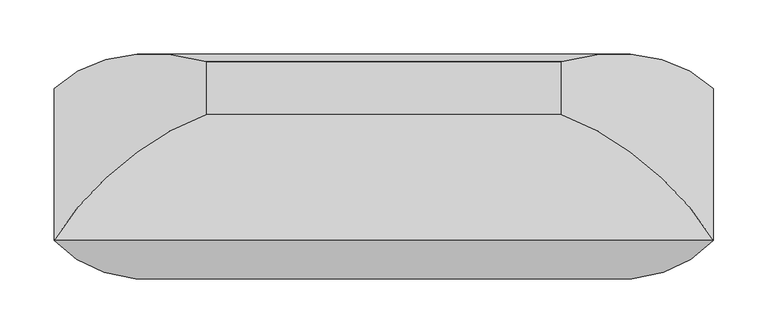
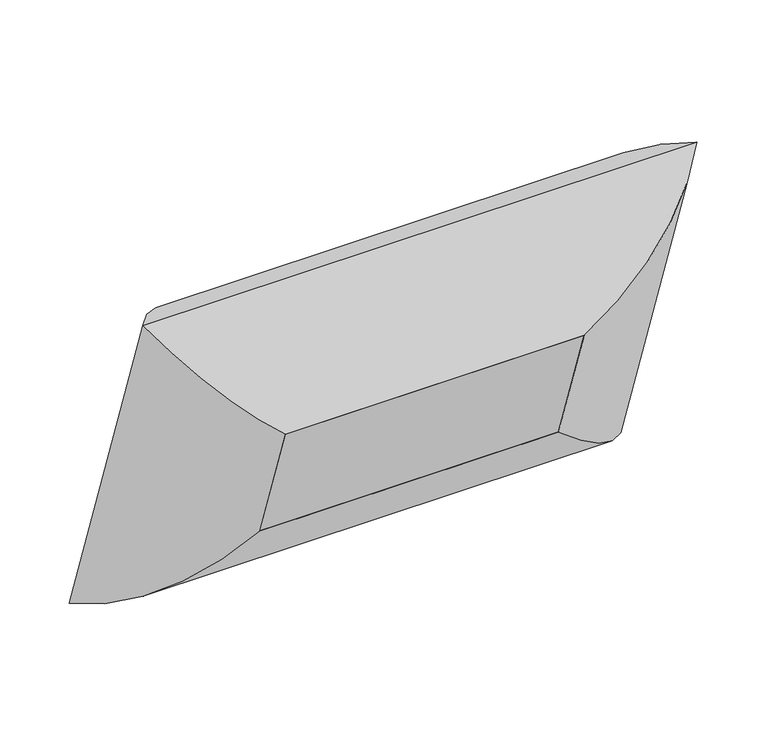
"""IFC4 building model written with IfcOpenShell, lengths in millimetres: furniture geometry."""

from ifc_helpers import new_model, si_unit, frame, origin, place, context, project, spatial, polyline, ellipse_curve, outline, extrude, source, transform, mapped, element, save
from ifc_brep_helpers import plane_surface, cylinder_surface, advanced_brep


def furniture_00d835d6(model_context):
    return source(origin(), model_context, "Body", "SolidModel", [
        advanced_brep(
        [(-164.30625, -168.3628069, 681.5749575), (-304.4741804, -140.3681761, 839.4587839), (-304.4741804, 0.0, 431.8), (-164.30625, -119.2630596, 538.9789373), (-164.30625, -24.265776, 731.1915443), (-164.30625, 24.8339713, 588.5955241), (304.4741804, 0.0, 431.8), (164.30625, -119.2630596, 538.9789373), (164.30625, 24.8339713, 588.5955241), (304.4741804, -140.3681761, 839.4587839), (164.30625, -168.3628069, 681.5749575), (164.30625, -24.265776, 731.1915443)],
        [
            (0, 1, ellipse_curve(frame((-159.526504, -2.5797167, 733.6034951), z_axis=(-0.7071067811865478, 0.2302114497550402, -0.6685825965441236), x_axis=(-0.7071067811865474, -0.23021144975504026, 0.6685825965441239)), 245.7274984, 173.7555804)),
            (1, 2),
            (2, 3, ellipse_curve(frame((-159.526504, 43.4077645, 600.0461521), z_axis=(-0.7071067811865472, -0.23021144975504026, 0.6685825965441239), x_axis=(0.7071067811865475, -0.23021144975504026, 0.6685825965441238)), 245.7274984, 173.7555804)),
            (3, 0),
            (4, 0),
            (3, 5),
            (5, 4),
            (1, 4, ellipse_curve(frame((-155.1179464, -197.4752978, 661.8329831), z_axis=(-0.7071067811865478, 0.2302114497550402, -0.6685825965441236), x_axis=(-0.7071067811865474, -0.23021144975504026, 0.6685825965441239)), 263.8641638, 186.5801395)),
            (5, 2, ellipse_curve(frame((-155.1179464, -154.3583886, 536.6123863), z_axis=(-0.7071067811865472, -0.23021144975504026, 0.6685825965441239), x_axis=(0.7071067811865475, -0.23021144975504026, 0.6685825965441238)), 263.8641638, 186.5801395)),
            (2, 6),
            (6, 7, ellipse_curve(frame((159.526504, 43.4077645, 600.0461521), z_axis=(-0.7071067811865477, 0.23021144975504024, -0.6685825965441236), x_axis=(-0.7071067811865475, -0.23021144975504026, 0.6685825965441239)), 245.7274984, 173.7555804)),
            (7, 3),
            (7, 8),
            (8, 5),
            (8, 6, ellipse_curve(frame((155.1179464, -154.3583886, 536.6123863), z_axis=(-0.7071067811865477, 0.23021144975504024, -0.6685825965441236), x_axis=(-0.7071067811865475, -0.23021144975504026, 0.6685825965441239)), 263.8641638, 186.5801395)),
            (6, 9),
            (9, 10, ellipse_curve(frame((159.526504, -2.5797167, 733.6034951), z_axis=(0.7071067811865472, 0.23021144975504035, -0.668582596544124), x_axis=(-0.7071067811865478, 0.23021144975504015, -0.6685825965441234)), 245.7274984, 173.7555804)),
            (10, 7),
            (10, 11),
            (11, 8),
            (11, 9, ellipse_curve(frame((155.1179464, -197.4752978, 661.8329831), z_axis=(0.7071067811865472, 0.23021144975504035, -0.668582596544124), x_axis=(-0.7071067811865478, 0.23021144975504015, -0.6685825965441234)), 263.8641638, 186.5801395)),
            (9, 1),
            (0, 10),
            (4, 11),
        ],
        [
            cylinder_surface(frame((-159.526504, -4.1358497, 738.1228337), z_axis=(0.0, -0.32556815445715026, 0.945518575599319), x_axis=(0.0, -0.945518575599319, -0.32556815445715026)), 173.7555804),
            plane_surface(frame((-164.30625, -168.3628069, 681.5749575), z_axis=(1.0, 0.0, 0.0), x_axis=(0.0, 0.3255681544571503, -0.9455185755993191))),
            cylinder_surface(frame((-155.1179464, -200.4667169, 670.5206948), z_axis=(0.0, -0.32556815445715026, 0.945518575599319), x_axis=(0.0, -0.945518575599319, -0.32556815445715026)), 186.5801395),
            cylinder_surface(frame((-164.30625, 43.4077645, 600.0461521), z_axis=(-1.0, 0.0, 0.0), x_axis=(0.0, -0.9455185755993188, -0.3255681544571507)), 173.7555804),
            plane_surface(frame((-164.30625, -119.2630596, 538.9789373), z_axis=(0.0, -0.32556815445715065, 0.945518575599319), x_axis=(1.0, 0.0, 0.0))),
            cylinder_surface(frame((-164.30625, -154.3583886, 536.6123863), z_axis=(-1.0, 0.0, 0.0), x_axis=(0.0, -0.9455185755993188, -0.3255681544571507)), 186.5801395),
            cylinder_surface(frame((159.526504, 44.9638976, 595.5268135), z_axis=(0.0, 0.3255681544571503, -0.9455185755993191), x_axis=(0.0, -0.9455185755993191, -0.3255681544571503)), 173.7555804),
            plane_surface(frame((164.30625, -119.2630596, 538.9789373), z_axis=(-1.0, 0.0, 0.0), x_axis=(0.0, -0.3255681544571502, 0.9455185755993191))),
            cylinder_surface(frame((155.1179464, -151.3669696, 527.9246746), z_axis=(0.0, 0.3255681544571503, -0.9455185755993191), x_axis=(0.0, -0.9455185755993191, -0.3255681544571503)), 186.5801395),
            cylinder_surface(frame((164.30625, -2.5797167, 733.6034951), z_axis=(1.0000000000000002, 0.0, 0.0), x_axis=(0.0, -0.9455185755993192, -0.32556815445715004)), 173.7555804),
            plane_surface(frame((164.30625, -168.3628069, 681.5749575), z_axis=(0.0, 0.32556815445715015, -0.9455185755993192), x_axis=(-1.0, 0.0, 0.0))),
            cylinder_surface(frame((164.30625, -197.4752978, 661.8329831), z_axis=(1.0000000000000002, 0.0, 0.0), x_axis=(0.0, -0.9455185755993192, -0.32556815445715004)), 186.5801395),
        ],
        [
            (0, [[1, 2, 3, 4]]),
            (1, [[5, -4, 6, 7]]),
            (2, [[8, -7, 9, -2]]),
            (3, [[-3, 10, 11, 12]]),
            (4, [[-6, -12, 13, 14]]),
            (5, [[-9, -14, 15, -10]]),
            (6, [[-11, 16, 17, 18]]),
            (7, [[-13, -18, 19, 20]]),
            (8, [[-15, -20, 21, -16]]),
            (9, [[-17, 22, -1, 23]]),
            (10, [[-19, -23, -5, 24]]),
            (11, [[-21, -24, -8, -22]]),
        ],
    ),
        extrude(outline(polyline([(0.0, -328.6125), (0.0, 0.0), (152.4, 0.0), (152.4, -328.6125), (0.0, -328.6125)])), frame((-164.30625, -119.2630596, 538.9789373), z_axis=(0.0, -0.32556815445715037, 0.9455185755993191), x_axis=(0.0, 0.9455185755993191, 0.32556815445715037)), (0.0, 0.0, 1.0), 150.8125),
    ])


if __name__ == "__main__":
    model = new_model("IFC4")
    model_context = context("Model", 3, world=origin())
    ifc_project = project(units=[si_unit("LENGTHUNIT", "METRE", prefix="MILLI")], contexts=[model_context])
    site = spatial("IfcSite", under=ifc_project)
    building = spatial("IfcBuilding", under=site)
    placement = place(None, origin())
    furniture_shape = furniture_00d835d6(model_context)
    element("IfcFurniture", 1, at=placement, inside=building, context=model_context, shape_type="MappedRepresentation", body=[
        mapped(furniture_shape, transform((0.0, 0.0, 0.0), x_axis=(1.0, 0.0, 0.0), y_axis=(0.0, 1.0, 0.0), z_axis=(0.0, 0.0, 1.0))),
    ])
    save(model, "model.ifc")
